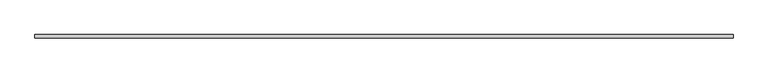
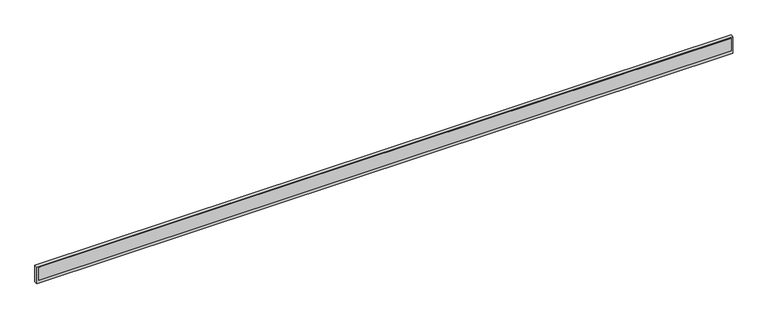
"""IFC4 building model written with IfcOpenShell, lengths in millimetres: proxy geometry."""

from ifc_helpers import new_model, si_unit, origin, place, context, project, spatial, faceted_brep, source, transform, mapped, element, save


def generic_models_143acda3(model_context):
    return source(origin(), model_context, "Body", "Brep", [
        faceted_brep([(1000.0, 8.0, 17.875), (-750.0, 8.0, 17.875), (-750.0, 0.0, 17.875), (1000.0, 0.0, 17.875), (-750.0, 0.0, -24.125), (-750.0, 0.0, -26.125), (1000.0, 0.0, -26.125), (1000.0, 0.0, -24.125), (-745.0, 0.0, -17.5633448), (-745.0, 0.0, 16.625), (995.0, 0.0, 16.625), (995.0, 0.0, -17.5633448), (-745.0, -1.0, -17.5633448), (995.0, -1.0, -17.5633448), (995.0, -1.0, 16.625), (-745.0, -1.0, 16.625), (1000.0, 8.0, -26.125), (-750.0, 8.0, -26.125), (1000.0, 2.0, -26.125), (-750.0, 2.0, -26.125)], [[[0, 1, 2, 3]], [[4, 5, 6, 7, 3, 2], [8, 9, 10, 11]], [[12, 13, 14, 15]], [[0, 16, 17, 1]], [[16, 0, 3, 7, 6, 18]], [[5, 19, 17, 16, 18, 6]], [[4, 2, 1, 17, 19, 5]], [[9, 8, 12, 15]], [[10, 9, 15, 14]], [[11, 10, 14, 13]], [[8, 11, 13, 12]]]),
    ])


if __name__ == "__main__":
    model = new_model("IFC4")
    model_context = context("Model", 3, world=origin())
    ifc_project = project(units=[si_unit("LENGTHUNIT", "METRE", prefix="MILLI")], contexts=[model_context])
    site = spatial("IfcSite", under=ifc_project)
    building = spatial("IfcBuilding", under=site)
    placement = place(None, origin())
    generic_models_shape = generic_models_143acda3(model_context)
    element("IfcBuildingElementProxy", 1, Name="Generic Models", at=placement, inside=building, context=model_context, shape_type="MappedRepresentation", body=[
        mapped(generic_models_shape, transform((0.0, 0.0, 0.0), x_axis=(1.0, 0.0, 0.0), y_axis=(0.0, 1.0, 0.0), z_axis=(0.0, 0.0, 1.0))),
    ])
    save(model, "model.ifc")
